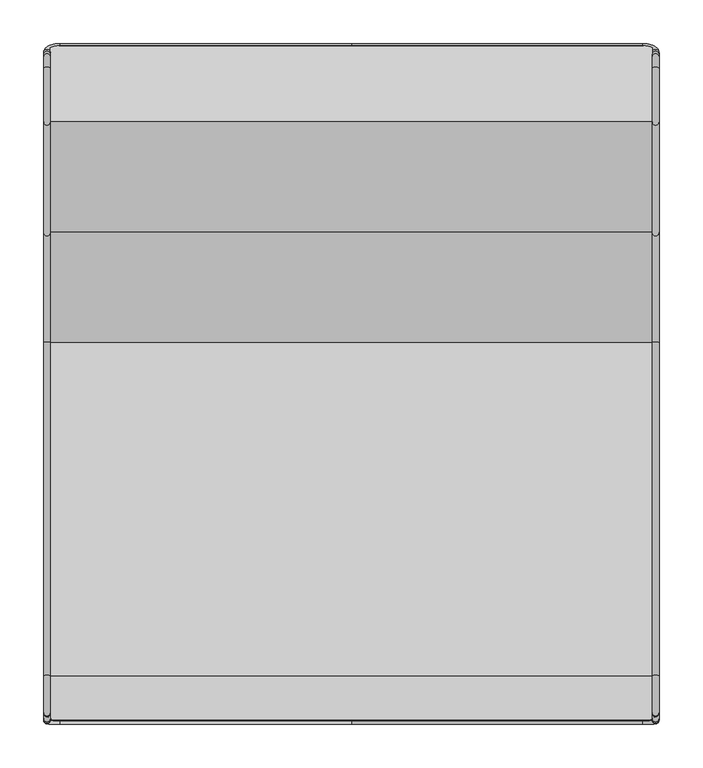
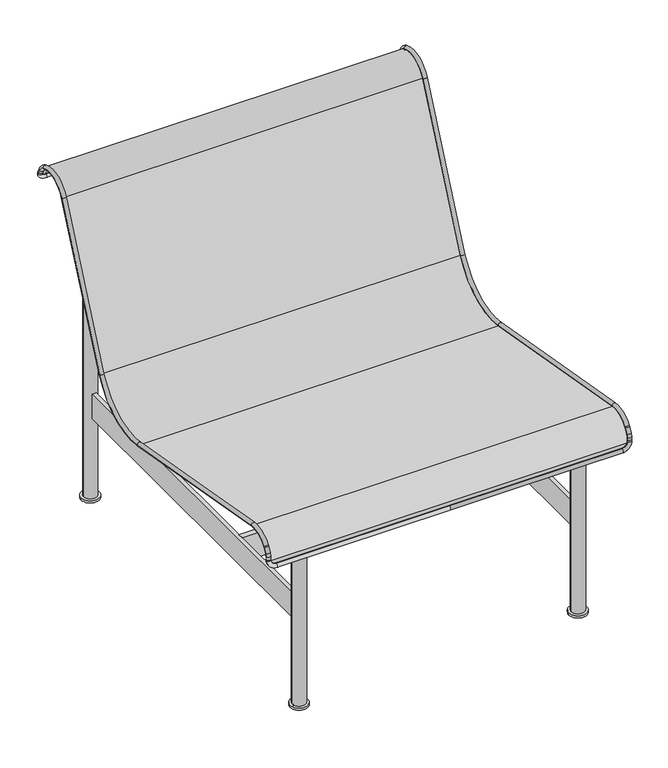
"""IFC4 building model written with IfcOpenShell, lengths in millimetres: furniture geometry."""

from ifc_helpers import new_model, si_unit, point, frame, frame_2d, origin, origin_with_axes, place, context, project, spatial, polyline, circle_curve, ellipse_curve, trimmed, segment, composite_curve, outline, extrude, source, transform, mapped, element, save
from ifc_brep_helpers import cylinder_surface, revolved_surface, advanced_brep


def furniture_9ffa8a8e(model_context):
    return source(origin(), model_context, "Body", "SolidModel", [
        extrude(outline(composite_curve([segment(trimmed(circle_curve(frame_2d((270.025, 345.3323767)), 10.0), [point((280.025, 345.3323767))], [point((260.025, 345.3323767))], False, "CARTESIAN"), True, "CONTINUOUS"), segment(trimmed(circle_curve(frame_2d((270.025, 345.3323767)), 10.0), [point((260.025, 345.3323767))], [point((280.025, 345.3323767))], False, "CARTESIAN"), True, "CONTINUOUS")], self_intersect=False)), origin_with_axes(), (0.0, 0.0, 1.0), 5.0095249),
        extrude(outline(composite_curve([segment(trimmed(circle_curve(frame_2d((270.025, 345.3323767)), 17.5), [point((287.525, 345.3323767))], [point((252.525, 345.3323767))], False, "CARTESIAN"), True, "CONTINUOUS"), segment(trimmed(circle_curve(frame_2d((270.025, 345.3323767)), 17.5), [point((252.525, 345.3323767))], [point((287.525, 345.3323767))], False, "CARTESIAN"), True, "CONTINUOUS")], self_intersect=False)), frame((0.0, 0.0, 5.0095249), z_axis=(0.0, 0.0, 1.0), x_axis=(1.0, 0.0, 0.0)), (0.0, 0.0, 1.0), 4.9904751),
        extrude(outline(composite_curve([segment(trimmed(circle_curve(frame_2d((270.025, 345.3323767)), 13.0), [point((283.025, 345.3323767))], [point((257.025, 345.3323767))], False, "CARTESIAN"), True, "CONTINUOUS"), segment(trimmed(circle_curve(frame_2d((270.025, 345.3323767)), 13.0), [point((257.025, 345.3323767))], [point((283.025, 345.3323767))], False, "CARTESIAN"), True, "CONTINUOUS")], self_intersect=False)), frame((0.0, 0.0, 10.0), z_axis=(0.0, 0.0, 1.0), x_axis=(1.0, 0.0, 0.0)), (0.0, 0.0, 1.0), 672.2046016),
        extrude(outline(composite_curve([segment(trimmed(circle_curve(frame_2d((270.025, -354.6676233)), 10.0), [point((280.025, -354.6676233))], [point((260.025, -354.6676233))], False, "CARTESIAN"), True, "CONTINUOUS"), segment(trimmed(circle_curve(frame_2d((270.025, -354.6676233)), 10.0), [point((260.025, -354.6676233))], [point((280.025, -354.6676233))], False, "CARTESIAN"), True, "CONTINUOUS")], self_intersect=False)), origin_with_axes(), (0.0, 0.0, 1.0), 5.0095249),
        extrude(outline(composite_curve([segment(trimmed(circle_curve(frame_2d((270.025, -354.6676233)), 17.5), [point((287.525, -354.6676233))], [point((252.525, -354.6676233))], False, "CARTESIAN"), True, "CONTINUOUS"), segment(trimmed(circle_curve(frame_2d((270.025, -354.6676233)), 17.5), [point((252.525, -354.6676233))], [point((287.525, -354.6676233))], False, "CARTESIAN"), True, "CONTINUOUS")], self_intersect=False)), frame((0.0, 0.0, 5.0095249), z_axis=(0.0, 0.0, 1.0), x_axis=(1.0, 0.0, 0.0)), (0.0, 0.0, 1.0), 4.9904751),
        extrude(outline(composite_curve([segment(trimmed(circle_curve(frame_2d((270.025, -354.6676233)), 13.0), [point((283.025, -354.6676233))], [point((257.025, -354.6676233))], False, "CARTESIAN"), True, "CONTINUOUS"), segment(trimmed(circle_curve(frame_2d((270.025, -354.6676233)), 13.0), [point((257.025, -354.6676233))], [point((283.025, -354.6676233))], False, "CARTESIAN"), True, "CONTINUOUS")], self_intersect=False)), frame((0.0, 0.0, 10.0), z_axis=(0.0, 0.0, 1.0), x_axis=(1.0, 0.0, 0.0)), (0.0, 0.0, 1.0), 357.3979993),
        extrude(outline(composite_curve([segment(trimmed(circle_curve(frame_2d((-270.025, 345.3323767)), 10.0), [point((-280.025, 345.3323767))], [point((-260.025, 345.3323767))], False, "CARTESIAN"), True, "CONTINUOUS"), segment(trimmed(circle_curve(frame_2d((-270.025, 345.3323767)), 10.0), [point((-260.025, 345.3323767))], [point((-280.025, 345.3323767))], False, "CARTESIAN"), True, "CONTINUOUS")], self_intersect=False)), origin_with_axes(), (0.0, 0.0, 1.0), 5.0095249),
        extrude(outline(composite_curve([segment(trimmed(circle_curve(frame_2d((-270.025, 345.3323767)), 17.5), [point((-287.525, 345.3323767))], [point((-252.525, 345.3323767))], False, "CARTESIAN"), True, "CONTINUOUS"), segment(trimmed(circle_curve(frame_2d((-270.025, 345.3323767)), 17.5), [point((-252.525, 345.3323767))], [point((-287.525, 345.3323767))], False, "CARTESIAN"), True, "CONTINUOUS")], self_intersect=False)), frame((0.0, 0.0, 5.0095249), z_axis=(0.0, 0.0, 1.0), x_axis=(1.0, 0.0, 0.0)), (0.0, 0.0, 1.0), 4.9904751),
        extrude(outline(composite_curve([segment(trimmed(circle_curve(frame_2d((-270.025, 345.3323767)), 13.0), [point((-283.025, 345.3323767))], [point((-257.025, 345.3323767))], False, "CARTESIAN"), True, "CONTINUOUS"), segment(trimmed(circle_curve(frame_2d((-270.025, 345.3323767)), 13.0), [point((-257.025, 345.3323767))], [point((-283.025, 345.3323767))], False, "CARTESIAN"), True, "CONTINUOUS")], self_intersect=False)), frame((0.0, 0.0, 10.0), z_axis=(0.0, 0.0, 1.0), x_axis=(1.0, 0.0, 0.0)), (0.0, 0.0, 1.0), 672.2046016),
        extrude(outline(composite_curve([segment(trimmed(circle_curve(frame_2d((-270.025, -354.6676233)), 10.0), [point((-280.025, -354.6676233))], [point((-260.025, -354.6676233))], False, "CARTESIAN"), True, "CONTINUOUS"), segment(trimmed(circle_curve(frame_2d((-270.025, -354.6676233)), 10.0), [point((-260.025, -354.6676233))], [point((-280.025, -354.6676233))], False, "CARTESIAN"), True, "CONTINUOUS")], self_intersect=False)), origin_with_axes(), (0.0, 0.0, 1.0), 5.0095249),
        extrude(outline(composite_curve([segment(trimmed(circle_curve(frame_2d((-270.025, -354.6676233)), 17.5), [point((-287.525, -354.6676233))], [point((-252.525, -354.6676233))], False, "CARTESIAN"), True, "CONTINUOUS"), segment(trimmed(circle_curve(frame_2d((-270.025, -354.6676233)), 17.5), [point((-252.525, -354.6676233))], [point((-287.525, -354.6676233))], False, "CARTESIAN"), True, "CONTINUOUS")], self_intersect=False)), frame((0.0, 0.0, 5.0095249), z_axis=(0.0, 0.0, 1.0), x_axis=(1.0, 0.0, 0.0)), (0.0, 0.0, 1.0), 4.9904751),
        extrude(outline(composite_curve([segment(trimmed(circle_curve(frame_2d((-270.025, -354.6676233)), 13.0), [point((-283.025, -354.6676233))], [point((-257.025, -354.6676233))], False, "CARTESIAN"), True, "CONTINUOUS"), segment(trimmed(circle_curve(frame_2d((-270.025, -354.6676233)), 13.0), [point((-257.025, -354.6676233))], [point((-283.025, -354.6676233))], False, "CARTESIAN"), True, "CONTINUOUS")], self_intersect=False)), frame((0.0, 0.0, 10.0), z_axis=(0.0, 0.0, 1.0), x_axis=(1.0, 0.0, 0.0)), (0.0, 0.0, 1.0), 357.3979993),
        extrude(outline(composite_curve([segment(trimmed(circle_curve(frame_2d((-354.6676233, 367.15)), 16.85), [point((-337.8176233, 367.15))], [point((-371.5176233, 367.15))], False, "CARTESIAN"), True, "CONTINUOUS"), segment(trimmed(circle_curve(frame_2d((-354.6676233, 367.15)), 16.85), [point((-371.5176233, 367.15))], [point((-337.8176233, 367.15))], False, "CARTESIAN"), True, "CONTINUOUS")], self_intersect=False)), frame((-314.9750977, 0.0, 0.0), z_axis=(1.0, 0.0, 0.0), x_axis=(0.0, 1.0, 0.0)), (0.0, 0.0, 1.0), 629.4750977),
        extrude(outline(composite_curve([segment(trimmed(circle_curve(frame_2d((345.3323767, 682.15)), 16.85), [point((362.1823767, 682.15))], [point((328.4823767, 682.15))], False, "CARTESIAN"), True, "CONTINUOUS"), segment(trimmed(circle_curve(frame_2d((345.3323767, 682.15)), 16.85), [point((328.4823767, 682.15))], [point((362.1823767, 682.15))], False, "CARTESIAN"), True, "CONTINUOUS")], self_intersect=False)), frame((-314.5, 0.0, 0.0), z_axis=(1.0, 0.0, 0.0), x_axis=(0.0, 1.0, 0.0)), (0.0, 0.0, 1.0), 629.0),
        extrude(outline(polyline([(266.0500977, -343.4225488), (266.0500977, 334.0873022), (273.9000977, 334.0873022), (273.9000977, -343.4225488), (266.0500977, -343.4225488)])), frame((0.0, 0.0, 175.0), z_axis=(0.0, 0.0, 1.0), x_axis=(1.0, 0.0, 0.0)), (0.0, 0.0, 1.0), 50.0),
        extrude(outline(polyline([(266.0500977, -146.5626978), (266.0500977, -156.9225488), (-266.0500977, -156.9225488), (-266.0500977, -146.5626978), (266.0500977, -146.5626978)])), frame((0.0, 0.0, 175.0), z_axis=(0.0, 0.0, 1.0), x_axis=(1.0, 0.0, 0.0)), (0.0, 0.0, 1.0), 50.0),
        extrude(outline(polyline([(266.0500977, 224.5123022), (266.0500977, 214.1524512), (-266.0500977, 214.1524512), (-266.0500977, 224.5123022), (266.0500977, 224.5123022)])), frame((0.0, 0.0, 175.0), z_axis=(0.0, 0.0, 1.0), x_axis=(1.0, 0.0, 0.0)), (0.0, 0.0, 1.0), 50.0),
        extrude(outline(polyline([(-266.0500977, 334.0873022), (-266.0500977, -343.4225488), (-273.9000977, -343.4225488), (-273.9000977, 334.0873022), (-266.0500977, 334.0873022)])), frame((0.0, 0.0, 175.0), z_axis=(0.0, 0.0, 1.0), x_axis=(1.0, 0.0, 0.0)), (0.0, 0.0, 1.0), 50.0),
        advanced_brep(
        [(-353.440108, 373.7937013, 682.4780585), (-353.440108, 371.646043, 686.9933175), (-345.440108, 371.646043, 686.9933175), (-345.440108, 373.7937013, 682.4780585), (-345.440108, 296.4612266, 676.0749425), (-345.440108, 357.7572354, 700.2806419), (-353.440108, 357.7572354, 700.2806419), (-353.440108, 296.4612266, 676.0749425), (-353.440108, 169.6234197, 391.1925638), (-345.440108, 169.6234197, 391.1925638), (-353.440108, 43.6034187, 324.1865407), (-345.440108, 43.6034187, 324.1865407), (-353.440108, -338.739978, 391.6039975), (-345.440108, -338.739978, 391.6039975), (-353.440108, -381.5432629, 374.8006881), (-345.440108, -381.5432629, 374.8006881), (-345.440108, -382.9815742, 372.5487627), (-353.440108, -382.9815742, 372.5487627), (-353.440108, -388.067645, 362.9832548), (-345.440108, -388.067645, 362.9832548), (0.0, 384.102461, 660.8048152), (-334.440108, 384.102461, 660.8048152), (-334.440108, 380.6662078, 668.0292297), (0.0, 380.6662078, 668.0292297), (-345.440108, 375.9413596, 677.9627995), (-353.440108, 375.9413596, 677.9627995), (-345.440108, -389.6972432, 357.1071135), (-353.440108, -389.6972432, 357.1071135), (-353.440108, -389.9613935, 352.0668255), (-345.440108, -389.9613935, 352.0668255), (0.0, -391.0683935, 330.9440069), (-334.440108, -391.0683935, 330.9440069), (-334.440108, -390.6497059, 338.9330432), (0.0, -390.6497059, 338.9330432), (-345.440108, -390.0740104, 349.9179681), (-353.440108, -390.0740104, 349.9179681), (334.440108, -390.6497059, 338.9330432), (334.440108, -391.0683935, 330.9440069), (353.440108, -390.0740104, 349.9179681), (345.440108, -390.0740104, 349.9179681), (345.440108, -389.9613935, 352.0668255), (353.440108, -389.9613935, 352.0668255), (345.440108, 373.7937013, 682.4780585), (345.440108, 371.646043, 686.9933175), (353.440108, 371.646043, 686.9933175), (353.440108, 373.7937013, 682.4780585), (353.440108, 296.4612266, 676.0749425), (353.440108, 357.7572354, 700.2806419), (345.440108, 357.7572354, 700.2806419), (345.440108, 296.4612266, 676.0749425), (345.440108, 169.6234197, 391.1925638), (353.440108, 169.6234197, 391.1925638), (345.440108, 43.6034187, 324.1865407), (353.440108, 43.6034187, 324.1865407), (345.440108, -338.739978, 391.6039975), (353.440108, -338.739978, 391.6039975), (345.440108, -381.5432629, 374.8006881), (353.440108, -381.5432629, 374.8006881), (353.440108, -382.9815742, 372.5487627), (345.440108, -382.9815742, 372.5487627), (345.440108, -388.067645, 362.9832548), (353.440108, -388.067645, 362.9832548), (353.440108, -389.6972432, 357.1071135), (345.440108, -389.6972432, 357.1071135), (334.440108, 380.6662078, 668.0292297), (334.440108, 384.102461, 660.8048152), (353.440108, 375.9413596, 677.9627995), (345.440108, 375.9413596, 677.9627995)],
        [
            (0, 1),
            (1, 2, circle_curve(frame((-349.440108, 371.646043, 686.9933175), z_axis=(0.0, 0.4295316530768693, -0.9030518030573064), x_axis=(1.0, 0.0, 0.0)), 4.0)),
            (2, 3),
            (3, 0, circle_curve(frame((-349.440108, 373.7937013, 682.4780585), z_axis=(0.0, -0.4295316530768693, 0.9030518030573064), x_axis=(1.0, 0.0, 0.0)), 4.0)),
            (0, 3, circle_curve(frame((-349.440108, 373.7937013, 682.4780585), z_axis=(0.0, -0.4295316530768693, 0.9030518030573064), x_axis=(1.0, 0.0, 0.0)), 4.0)),
            (2, 1, circle_curve(frame((-349.440108, 371.646043, 686.9933175), z_axis=(0.0, 0.4295316530768693, -0.9030518030573064), x_axis=(1.0, 0.0, 0.0)), 4.0)),
            (4, 5, circle_curve(frame((-345.440108, 339.4462618, 656.9367718), z_axis=(-1.0, 0.0, 0.0), x_axis=(0.0, 0.38915652171683707, 0.9211716461144758)), 47.0529789)),
            (5, 6, circle_curve(frame((-349.440108, 357.7572354, 700.2806419), z_axis=(0.0, -0.9211716461144758, 0.38915652171683707), x_axis=(1.0, 0.0, 0.0)), 4.0)),
            (6, 7, circle_curve(frame((-353.440108, 339.4462618, 656.9367718), z_axis=(1.0, 0.0, 0.0), x_axis=(0.0, 0.38915652171683707, 0.9211716461144758)), 47.0529789)),
            (7, 4, circle_curve(frame((-349.440108, 296.4612266, 676.0749425), z_axis=(0.0, 0.406736643075932, 0.9135454576425424), x_axis=(1.0, 0.0, 0.0)), 4.0)),
            (4, 7, circle_curve(frame((-349.440108, 296.4612266, 676.0749425), z_axis=(0.0, 0.406736643075932, 0.9135454576425424), x_axis=(1.0, 0.0, 0.0)), 4.0)),
            (6, 5, circle_curve(frame((-349.440108, 357.7572354, 700.2806419), z_axis=(0.0, -0.9211716461144758, 0.38915652171683707), x_axis=(1.0, 0.0, 0.0)), 4.0)),
            (7, 8),
            (8, 9, circle_curve(frame((-349.440108, 169.6234197, 391.1925638), z_axis=(0.0, 0.4067366430759277, 0.9135454576425441), x_axis=(1.0, 0.0, 0.0)), 4.0)),
            (9, 4),
            (9, 8, circle_curve(frame((-349.440108, 169.6234197, 391.1925638), z_axis=(0.0, 0.4067366430759277, 0.9135454576425441), x_axis=(1.0, 0.0, 0.0)), 4.0)),
            (8, 10, circle_curve(frame((-353.440108, 63.7315199, 438.3386751), z_axis=(-1.0, 0.0, 0.0), x_axis=(0.0, 0.9135454576425466, -0.40673664307592233)), 115.9131151)),
            (10, 11, circle_curve(frame((-349.440108, 43.6034187, 324.1865407), z_axis=(0.0, 0.9848077530121874, -0.17364817766704793), x_axis=(1.0, 0.0, 0.0)), 4.0)),
            (11, 9, circle_curve(frame((-345.440108, 63.7315199, 438.3386751), z_axis=(1.0, 0.0, 0.0), x_axis=(0.0, 0.9135454576425466, -0.40673664307592233)), 115.9131151)),
            (11, 10, circle_curve(frame((-349.440108, 43.6034187, 324.1865407), z_axis=(0.0, 0.9848077530121874, -0.17364817766704793), x_axis=(1.0, 0.0, 0.0)), 4.0)),
            (10, 12),
            (12, 13, circle_curve(frame((-349.440108, -338.739978, 391.6039975), z_axis=(0.0, 0.9848077530121863, -0.17364817766705426), x_axis=(1.0, 0.0, 0.0)), 4.0)),
            (13, 11),
            (13, 12, circle_curve(frame((-349.440108, -338.739978, 391.6039975), z_axis=(0.0, 0.9848077530121863, -0.17364817766705426), x_axis=(1.0, 0.0, 0.0)), 4.0)),
            (12, 14, circle_curve(frame((-353.440108, -346.3955852, 348.1868914), z_axis=(1.0, 0.0, 0.0), x_axis=(0.0, 0.17364817766705343, 0.9848077530121864)), 44.0868849)),
            (14, 15, circle_curve(frame((-349.440108, -381.5432629, 374.8006881), z_axis=(0.0, 0.6036669805096835, 0.7972365876214673), x_axis=(1.0, 0.0, 0.0)), 4.0)),
            (15, 13, circle_curve(frame((-345.440108, -346.3955852, 348.1868914), z_axis=(-1.0, 0.0, 0.0), x_axis=(0.0, 0.17364817766705343, 0.9848077530121864)), 44.0868849)),
            (15, 14, circle_curve(frame((-349.440108, -381.5432629, 374.8006881), z_axis=(0.0, 0.6036669805096835, 0.7972365876214673), x_axis=(1.0, 0.0, 0.0)), 4.0)),
            (16, 17, circle_curve(frame((-349.440108, -382.9815742, 372.5487627), z_axis=(0.0, -0.46947156278589175, -0.8829475928589264), x_axis=(1.0, 0.0, 0.0)), 4.0)),
            (17, 18),
            (18, 19, circle_curve(frame((-349.440108, -388.067645, 362.9832548), z_axis=(0.0, 0.46947156278589175, 0.8829475928589264), x_axis=(1.0, 0.0, 0.0)), 4.0)),
            (19, 16),
            (17, 16, circle_curve(frame((-349.440108, -382.9815742, 372.5487627), z_axis=(0.0, -0.46947156278589175, -0.8829475928589264), x_axis=(1.0, 0.0, 0.0)), 4.0)),
            (19, 18, circle_curve(frame((-349.440108, -388.067645, 362.9832548), z_axis=(0.0, 0.46947156278589175, 0.8829475928589264), x_axis=(1.0, 0.0, 0.0)), 4.0)),
            (1, 6, circle_curve(frame((-353.440108, 347.239684, 675.3845663), z_axis=(1.0, 0.0, 0.0), x_axis=(0.0, 0.9030518030573125, 0.4295316530768563)), 27.0265327)),
            (5, 2, circle_curve(frame((-345.440108, 347.239684, 675.3845663), z_axis=(-1.0, 0.0, 0.0), x_axis=(0.0, 0.9030518030573125, 0.4295316530768563)), 27.0265327)),
            (20, 21),
            (21, 22, circle_curve(frame((-334.440108, 382.3843344, 664.4170225), z_axis=(1.0, 0.0, 0.0), x_axis=(0.0, -0.4295316530768436, 0.9030518030573186)), 4.0)),
            (22, 23),
            (23, 20, circle_curve(frame((0.0, 382.3843344, 664.4170225), z_axis=(-1.0, 0.0, 0.0), x_axis=(0.0, -0.4295316530768436, 0.9030518030573186)), 4.0)),
            (20, 23, circle_curve(frame((0.0, 382.3843344, 664.4170225), z_axis=(-1.0, 0.0, 0.0), x_axis=(0.0, -0.4295316530768436, 0.9030518030573186)), 4.0)),
            (22, 21, circle_curve(frame((-334.440108, 382.3843344, 664.4170225), z_axis=(1.0, 0.0, 0.0), x_axis=(0.0, -0.4295316530768436, 0.9030518030573186)), 4.0)),
            (24, 25, circle_curve(frame((-349.440108, 375.9413596, 677.9627995), z_axis=(0.0, -0.4295316530768436, 0.9030518030573186), x_axis=(1.0, 0.0, 0.0)), 4.0)),
            (25, 0),
            (3, 24),
            (25, 24, circle_curve(frame((-349.440108, 375.9413596, 677.9627995), z_axis=(0.0, -0.4295316530768436, 0.9030518030573186), x_axis=(1.0, 0.0, 0.0)), 4.0)),
            (21, 25, circle_curve(frame((-334.440108, 375.9413596, 677.9627995), z_axis=(0.0, 0.9030518030573186, 0.4295316530768436), x_axis=(0.0, 0.4295316530768436, -0.9030518030573186)), 19.0)),
            (24, 22, circle_curve(frame((-334.440108, 375.9413596, 677.9627995), z_axis=(0.0, -0.9030518030573186, -0.4295316530768436), x_axis=(0.0, 0.4295316530768436, -0.9030518030573186)), 11.0)),
            (14, 17, circle_curve(frame((-353.440108, -368.164883, 364.6705883), z_axis=(1.0, 0.0, 0.0), x_axis=(0.0, -0.7972365876214653, 0.6036669805096861)), 16.7809407)),
            (16, 15, circle_curve(frame((-345.440108, -368.164883, 364.6705883), z_axis=(-1.0, 0.0, 0.0), x_axis=(0.0, -0.7972365876214653, 0.6036669805096861)), 16.7809407)),
            (26, 27, circle_curve(frame((-349.440108, -389.6972432, 357.1071135), z_axis=(0.0, -0.05233595624294962, -0.9986295347545736), x_axis=(1.0, 0.0, 0.0)), 4.0)),
            (27, 28),
            (28, 29, circle_curve(frame((-349.440108, -389.9613935, 352.0668255), z_axis=(0.0, 0.05233595624294962, 0.9986295347545736), x_axis=(1.0, 0.0, 0.0)), 4.0)),
            (29, 26),
            (27, 26, circle_curve(frame((-349.440108, -389.6972432, 357.1071135), z_axis=(0.0, -0.05233595624294962, -0.9986295347545736), x_axis=(1.0, 0.0, 0.0)), 4.0)),
            (29, 28, circle_curve(frame((-349.440108, -389.9613935, 352.0668255), z_axis=(0.0, 0.05233595624294962, 0.9986295347545736), x_axis=(1.0, 0.0, 0.0)), 4.0)),
            (18, 27, circle_curve(frame((-353.440108, -375.6296639, 356.3698629), z_axis=(1.0, 0.0, 0.0), x_axis=(0.0, -0.8829475928589232, 0.46947156278589786)), 14.0868849)),
            (26, 19, circle_curve(frame((-345.440108, -375.6296639, 356.3698629), z_axis=(-1.0, 0.0, 0.0), x_axis=(0.0, -0.8829475928589232, 0.46947156278589786)), 14.0868849)),
            (30, 31),
            (31, 32, circle_curve(frame((-334.440108, -390.8590497, 334.938525), z_axis=(1.0, 0.0, 0.0), x_axis=(0.0, 0.052335956242932254, 0.9986295347545745)), 4.0)),
            (32, 33),
            (33, 30, circle_curve(frame((0.0, -390.8590497, 334.938525), z_axis=(-1.0, 0.0, 0.0), x_axis=(0.0, 0.052335956242932254, 0.9986295347545745)), 4.0)),
            (30, 33, circle_curve(frame((0.0, -390.8590497, 334.938525), z_axis=(-1.0, 0.0, 0.0), x_axis=(0.0, 0.052335956242932254, 0.9986295347545745)), 4.0)),
            (32, 31, circle_curve(frame((-334.440108, -390.8590497, 334.938525), z_axis=(1.0, 0.0, 0.0), x_axis=(0.0, 0.052335956242932254, 0.9986295347545745)), 4.0)),
            (34, 35, circle_curve(frame((-349.440108, -390.0740104, 349.9179681), z_axis=(0.0, 0.052335956242932254, 0.9986295347545745), x_axis=(1.0, 0.0, 0.0)), 4.0)),
            (35, 28),
            (29, 34),
            (35, 34, circle_curve(frame((-349.440108, -390.0740104, 349.9179681), z_axis=(0.0, 0.052335956242932254, 0.9986295347545745), x_axis=(1.0, 0.0, 0.0)), 4.0)),
            (31, 35, circle_curve(frame((-334.440108, -390.0740104, 349.9179681), z_axis=(0.0, 0.9986295347545745, -0.052335956242932254), x_axis=(0.0, -0.052335956242932254, -0.9986295347545745)), 19.0)),
            (34, 32, circle_curve(frame((-334.440108, -390.0740104, 349.9179681), z_axis=(0.0, -0.9986295347545745, 0.052335956242932254), x_axis=(0.0, -0.052335956242932254, -0.9986295347545745)), 11.0)),
            (33, 36),
            (36, 37, circle_curve(frame((334.440108, -390.8590497, 334.938525), z_axis=(-1.0, 0.0, 0.0), x_axis=(0.0, 0.052335956242932254, 0.9986295347545745)), 4.0)),
            (37, 30),
            (37, 36, circle_curve(frame((334.440108, -390.8590497, 334.938525), z_axis=(-1.0, 0.0, 0.0), x_axis=(0.0, 0.052335956242932254, 0.9986295347545745)), 4.0)),
            (38, 39, circle_curve(frame((349.440108, -390.0740104, 349.9179681), z_axis=(0.0, 0.052335956242932254, 0.9986295347545745), x_axis=(-1.0, 0.0, 0.0)), 4.0)),
            (39, 40),
            (40, 41, circle_curve(frame((349.440108, -389.9613935, 352.0668255), z_axis=(0.0, -0.052335956242932254, -0.9986295347545745), x_axis=(-1.0, 0.0, 0.0)), 4.0)),
            (41, 38),
            (39, 38, circle_curve(frame((349.440108, -390.0740104, 349.9179681), z_axis=(0.0, 0.052335956242932254, 0.9986295347545745), x_axis=(-1.0, 0.0, 0.0)), 4.0)),
            (41, 40, circle_curve(frame((349.440108, -389.9613935, 352.0668255), z_axis=(0.0, -0.052335956242932254, -0.9986295347545745), x_axis=(-1.0, 0.0, 0.0)), 4.0)),
            (36, 39, circle_curve(frame((334.440108, -390.0740104, 349.9179681), z_axis=(0.0, -0.9986295347545745, 0.052335956242932254), x_axis=(0.0, -0.052335956242932254, -0.9986295347545745)), 11.0)),
            (38, 37, circle_curve(frame((334.440108, -390.0740104, 349.9179681), z_axis=(0.0, 0.9986295347545745, -0.052335956242932254), x_axis=(0.0, -0.052335956242932254, -0.9986295347545745)), 19.0)),
            (42, 43),
            (43, 44, circle_curve(frame((349.440108, 371.646043, 686.9933175), z_axis=(0.0, 0.4295316530768692, -0.9030518030573064), x_axis=(-1.0, 0.0, 0.0)), 4.0)),
            (44, 45),
            (45, 42, circle_curve(frame((349.440108, 373.7937013, 682.4780585), z_axis=(0.0, -0.4295316530768692, 0.9030518030573064), x_axis=(-1.0, 0.0, 0.0)), 4.0)),
            (42, 45, circle_curve(frame((349.440108, 373.7937013, 682.4780585), z_axis=(0.0, -0.4295316530768692, 0.9030518030573064), x_axis=(-1.0, 0.0, 0.0)), 4.0)),
            (44, 43, circle_curve(frame((349.440108, 371.646043, 686.9933175), z_axis=(0.0, 0.4295316530768692, -0.9030518030573064), x_axis=(-1.0, 0.0, 0.0)), 4.0)),
            (46, 47, circle_curve(frame((353.440108, 339.4462618, 656.9367718), z_axis=(-1.0, 0.0, 0.0), x_axis=(0.0, 0.38915652171683707, 0.9211716461144758)), 47.0529789)),
            (47, 48, circle_curve(frame((349.440108, 357.7572354, 700.2806419), z_axis=(0.0, -0.9211716461144757, 0.3891565217168374), x_axis=(-1.0, 0.0, 0.0)), 4.0)),
            (48, 49, circle_curve(frame((345.440108, 339.4462618, 656.9367718), z_axis=(1.0, 0.0, 0.0), x_axis=(0.0, 0.38915652171683707, 0.9211716461144758)), 47.0529789)),
            (49, 46, circle_curve(frame((349.440108, 296.4612266, 676.0749425), z_axis=(0.0, 0.40673664307593455, 0.9135454576425411), x_axis=(-1.0, 0.0, 0.0)), 4.0)),
            (46, 49, circle_curve(frame((349.440108, 296.4612266, 676.0749425), z_axis=(0.0, 0.40673664307593455, 0.9135454576425411), x_axis=(-1.0, 0.0, 0.0)), 4.0)),
            (48, 47, circle_curve(frame((349.440108, 357.7572354, 700.2806419), z_axis=(0.0, -0.9211716461144757, 0.3891565217168374), x_axis=(-1.0, 0.0, 0.0)), 4.0)),
            (49, 50),
            (50, 51, circle_curve(frame((349.440108, 169.6234197, 391.1925638), z_axis=(0.0, 0.40673664307592794, 0.913545457642544), x_axis=(-1.0, 0.0, 0.0)), 4.0)),
            (51, 46),
            (51, 50, circle_curve(frame((349.440108, 169.6234197, 391.1925638), z_axis=(0.0, 0.40673664307592794, 0.913545457642544), x_axis=(-1.0, 0.0, 0.0)), 4.0)),
            (50, 52, circle_curve(frame((345.440108, 63.7315199, 438.3386751), z_axis=(-1.0, 0.0, 0.0), x_axis=(0.0, 0.9135454576425461, -0.40673664307592317)), 115.9131151)),
            (52, 53, circle_curve(frame((349.440108, 43.6034187, 324.1865407), z_axis=(0.0, 0.9848077530121875, -0.17364817766704635), x_axis=(-1.0, 0.0, 0.0)), 4.0)),
            (53, 51, circle_curve(frame((353.440108, 63.7315199, 438.3386751), z_axis=(1.0, 0.0, 0.0), x_axis=(0.0, 0.9135454576425461, -0.40673664307592317)), 115.9131151)),
            (53, 52, circle_curve(frame((349.440108, 43.6034187, 324.1865407), z_axis=(0.0, 0.9848077530121875, -0.17364817766704635), x_axis=(-1.0, 0.0, 0.0)), 4.0)),
            (52, 54),
            (54, 55, circle_curve(frame((349.440108, -338.739978, 391.6039975), z_axis=(0.0, 0.9848077530121863, -0.17364817766705457), x_axis=(-1.0, 0.0, 0.0)), 4.0)),
            (55, 53),
            (55, 54, circle_curve(frame((349.440108, -338.739978, 391.6039975), z_axis=(0.0, 0.9848077530121863, -0.17364817766705457), x_axis=(-1.0, 0.0, 0.0)), 4.0)),
            (54, 56, circle_curve(frame((345.440108, -346.3955852, 348.1868914), z_axis=(1.0, 0.0, 0.0), x_axis=(0.0, 0.17364817766705343, 0.9848077530121864)), 44.0868849)),
            (56, 57, circle_curve(frame((349.440108, -381.5432629, 374.8006881), z_axis=(0.0, 0.603666980509683, 0.7972365876214675), x_axis=(-1.0, 0.0, 0.0)), 4.0)),
            (57, 55, circle_curve(frame((353.440108, -346.3955852, 348.1868914), z_axis=(-1.0, 0.0, 0.0), x_axis=(0.0, 0.17364817766705343, 0.9848077530121864)), 44.0868849)),
            (57, 56, circle_curve(frame((349.440108, -381.5432629, 374.8006881), z_axis=(0.0, 0.603666980509683, 0.7972365876214675), x_axis=(-1.0, 0.0, 0.0)), 4.0)),
            (58, 59, circle_curve(frame((349.440108, -382.9815742, 372.5487627), z_axis=(0.0, -0.46947156278589214, -0.8829475928589262), x_axis=(-1.0, 0.0, 0.0)), 4.0)),
            (59, 60),
            (60, 61, circle_curve(frame((349.440108, -388.067645, 362.9832548), z_axis=(0.0, 0.46947156278589214, 0.8829475928589262), x_axis=(-1.0, 0.0, 0.0)), 4.0)),
            (61, 58),
            (59, 58, circle_curve(frame((349.440108, -382.9815742, 372.5487627), z_axis=(0.0, -0.46947156278589214, -0.8829475928589262), x_axis=(-1.0, 0.0, 0.0)), 4.0)),
            (61, 60, circle_curve(frame((349.440108, -388.067645, 362.9832548), z_axis=(0.0, 0.46947156278589214, 0.8829475928589262), x_axis=(-1.0, 0.0, 0.0)), 4.0)),
            (43, 48, circle_curve(frame((345.440108, 347.239684, 675.3845663), z_axis=(1.0, 0.0, 0.0), x_axis=(0.0, 0.9030518030573125, 0.4295316530768563)), 27.0265327)),
            (47, 44, circle_curve(frame((353.440108, 347.239684, 675.3845663), z_axis=(-1.0, 0.0, 0.0), x_axis=(0.0, 0.9030518030573125, 0.4295316530768563)), 27.0265327)),
            (56, 59, circle_curve(frame((345.440108, -368.164883, 364.6705883), z_axis=(1.0, 0.0, 0.0), x_axis=(0.0, -0.7972365876214653, 0.6036669805096861)), 16.7809407)),
            (58, 57, circle_curve(frame((353.440108, -368.164883, 364.6705883), z_axis=(-1.0, 0.0, 0.0), x_axis=(0.0, -0.7972365876214653, 0.6036669805096861)), 16.7809407)),
            (62, 63, circle_curve(frame((349.440108, -389.6972432, 357.1071135), z_axis=(0.0, -0.052335956242950066, -0.9986295347545737), x_axis=(-1.0, 0.0, 0.0)), 4.0)),
            (63, 40),
            (41, 62),
            (63, 62, circle_curve(frame((349.440108, -389.6972432, 357.1071135), z_axis=(0.0, -0.052335956242950066, -0.9986295347545737), x_axis=(-1.0, 0.0, 0.0)), 4.0)),
            (60, 63, circle_curve(frame((345.440108, -375.6296639, 356.3698629), z_axis=(1.0, 0.0, 0.0), x_axis=(0.0, -0.8829475928589232, 0.46947156278589786)), 14.0868849)),
            (62, 61, circle_curve(frame((353.440108, -375.6296639, 356.3698629), z_axis=(-1.0, 0.0, 0.0), x_axis=(0.0, -0.8829475928589232, 0.46947156278589786)), 14.0868849)),
            (23, 64),
            (64, 65, circle_curve(frame((334.440108, 382.3843344, 664.4170225), z_axis=(-1.0, 0.0, 0.0), x_axis=(0.0, -0.4295316530768436, 0.9030518030573186)), 4.0)),
            (65, 20),
            (65, 64, circle_curve(frame((334.440108, 382.3843344, 664.4170225), z_axis=(-1.0, 0.0, 0.0), x_axis=(0.0, -0.4295316530768436, 0.9030518030573186)), 4.0)),
            (66, 67, circle_curve(frame((349.440108, 375.9413596, 677.9627995), z_axis=(0.0, -0.4295316530768436, 0.9030518030573186), x_axis=(-1.0, 0.0, 0.0)), 4.0)),
            (67, 42),
            (45, 66),
            (67, 66, circle_curve(frame((349.440108, 375.9413596, 677.9627995), z_axis=(0.0, -0.4295316530768436, 0.9030518030573186), x_axis=(-1.0, 0.0, 0.0)), 4.0)),
            (64, 67, circle_curve(frame((334.440108, 375.9413596, 677.9627995), z_axis=(0.0, -0.9030518030573186, -0.4295316530768436), x_axis=(0.0, 0.4295316530768436, -0.9030518030573186)), 11.0)),
            (66, 65, circle_curve(frame((334.440108, 375.9413596, 677.9627995), z_axis=(0.0, 0.9030518030573186, 0.4295316530768436), x_axis=(0.0, 0.4295316530768436, -0.9030518030573186)), 19.0)),
        ],
        [
            cylinder_surface(frame((-349.440108, 373.7937013, 682.4780585), z_axis=(0.0, 0.4295316530768693, -0.9030518030573064), x_axis=(1.0, 0.0, 0.0)), 4.0),
            revolved_surface(trimmed(ellipse_curve(frame((-349.440108, 357.7572354, 700.2806419), z_axis=(0.0, 0.9211716461144758, -0.38915652171683707), x_axis=(1.0, 0.0, 0.0)), 4.0, 4.0), [point((-353.440108, 357.7572354, 700.2806419))], [point((-345.440108, 357.7572354, 700.2806419))], True, "CARTESIAN"), (0.0, 339.4462618, 656.9367718), (1.0, 0.0, 0.0)),
            revolved_surface(trimmed(ellipse_curve(frame((-349.440108, 357.7572354, 700.2806419), z_axis=(0.0, 0.9211716461144758, -0.38915652171683707), x_axis=(1.0, 0.0, 0.0)), 4.0, 4.0), [point((-345.440108, 357.7572354, 700.2806419))], [point((-353.440108, 357.7572354, 700.2806419))], True, "CARTESIAN"), (0.0, 339.4462618, 656.9367718), (1.0, 0.0, 0.0)),
            cylinder_surface(frame((-349.440108, 296.4612266, 676.0749425), z_axis=(0.0, 0.4067366430759277, 0.9135454576425441), x_axis=(1.0, 0.0, 0.0)), 4.0),
            revolved_surface(trimmed(ellipse_curve(frame((-349.440108, 169.6234197, 391.1925638), z_axis=(0.0, 0.40673664307592206, 0.9135454576425467), x_axis=(1.0, 0.0, 0.0)), 4.0, 4.0), [point((-353.440108, 169.6234197, 391.1925638))], [point((-345.440108, 169.6234197, 391.1925638))], True, "CARTESIAN"), (0.0, 63.7315199, 438.3386751), (-1.0, 0.0, 0.0)),
            revolved_surface(trimmed(ellipse_curve(frame((-349.440108, 169.6234197, 391.1925638), z_axis=(0.0, 0.40673664307592206, 0.9135454576425467), x_axis=(1.0, 0.0, 0.0)), 4.0, 4.0), [point((-345.440108, 169.6234197, 391.1925638))], [point((-353.440108, 169.6234197, 391.1925638))], True, "CARTESIAN"), (0.0, 63.7315199, 438.3386751), (-1.0, 0.0, 0.0)),
            cylinder_surface(frame((-349.440108, 43.6034187, 324.1865407), z_axis=(0.0, 0.9848077530121863, -0.17364817766705426), x_axis=(1.0, 0.0, 0.0)), 4.0),
            revolved_surface(trimmed(ellipse_curve(frame((-349.440108, -338.739978, 391.6039975), z_axis=(0.0, 0.9848077530121864, -0.17364817766705326), x_axis=(1.0, 0.0, 0.0)), 4.0, 4.0), [point((-353.440108, -338.739978, 391.6039975))], [point((-345.440108, -338.739978, 391.6039975))], True, "CARTESIAN"), (0.0, -346.3955852, 348.1868914), (1.0, 0.0, 0.0)),
            revolved_surface(trimmed(ellipse_curve(frame((-349.440108, -338.739978, 391.6039975), z_axis=(0.0, 0.9848077530121864, -0.17364817766705326), x_axis=(1.0, 0.0, 0.0)), 4.0, 4.0), [point((-345.440108, -338.739978, 391.6039975))], [point((-353.440108, -338.739978, 391.6039975))], True, "CARTESIAN"), (0.0, -346.3955852, 348.1868914), (1.0, 0.0, 0.0)),
            cylinder_surface(frame((-349.440108, -382.9815742, 372.5487627), z_axis=(0.0, 0.46947156278589175, 0.8829475928589264), x_axis=(1.0, 0.0, 0.0)), 4.0),
            revolved_surface(trimmed(ellipse_curve(frame((-349.440108, 371.646043, 686.9933175), z_axis=(0.0, 0.4295316530768563, -0.9030518030573125), x_axis=(1.0, 0.0, 0.0)), 4.0, 4.0), [point((-353.440108, 371.646043, 686.9933175))], [point((-345.440108, 371.646043, 686.9933175))], True, "CARTESIAN"), (0.0, 347.239684, 675.3845663), (1.0, 0.0, 0.0)),
            revolved_surface(trimmed(ellipse_curve(frame((-349.440108, 371.646043, 686.9933175), z_axis=(0.0, 0.4295316530768563, -0.9030518030573125), x_axis=(1.0, 0.0, 0.0)), 4.0, 4.0), [point((-345.440108, 371.646043, 686.9933175))], [point((-353.440108, 371.646043, 686.9933175))], True, "CARTESIAN"), (0.0, 347.239684, 675.3845663), (1.0, 0.0, 0.0)),
            cylinder_surface(frame((0.0, 382.3843344, 664.4170225), z_axis=(1.0, 0.0, 0.0), x_axis=(0.0, -0.4295316530768436, 0.9030518030573186)), 4.0),
            cylinder_surface(frame((-349.440108, 375.9413596, 677.9627995), z_axis=(0.0, 0.4295316530768436, -0.9030518030573186), x_axis=(1.0, 0.0, 0.0)), 4.0),
            revolved_surface(trimmed(ellipse_curve(frame((-334.440108, 382.3843344, 664.4170225), z_axis=(1.0, 0.0, 0.0), x_axis=(0.0, -0.4295316530768436, 0.9030518030573186)), 4.0, 4.0), [point((-334.440108, 384.102461, 660.8048152))], [point((-334.440108, 380.6662078, 668.0292297))], True, "CARTESIAN"), (-334.440108, -297.7152046, 357.5417377), (0.0, 0.9030518030573186, 0.4295316530768436)),
            revolved_surface(trimmed(ellipse_curve(frame((-334.440108, 382.3843344, 664.4170225), z_axis=(1.0, 0.0, 0.0), x_axis=(0.0, -0.4295316530768436, 0.9030518030573186)), 4.0, 4.0), [point((-334.440108, 380.6662078, 668.0292297))], [point((-334.440108, 384.102461, 660.8048152))], True, "CARTESIAN"), (-334.440108, -297.7152046, 357.5417377), (0.0, 0.9030518030573186, 0.4295316530768436)),
            revolved_surface(trimmed(ellipse_curve(frame((-349.440108, -381.5432629, 374.8006881), z_axis=(0.0, 0.6036669805096861, 0.7972365876214653), x_axis=(1.0, 0.0, 0.0)), 4.0, 4.0), [point((-353.440108, -381.5432629, 374.8006881))], [point((-345.440108, -381.5432629, 374.8006881))], True, "CARTESIAN"), (0.0, -368.164883, 364.6705883), (1.0, 0.0, 0.0)),
            revolved_surface(trimmed(ellipse_curve(frame((-349.440108, -381.5432629, 374.8006881), z_axis=(0.0, 0.6036669805096861, 0.7972365876214653), x_axis=(1.0, 0.0, 0.0)), 4.0, 4.0), [point((-345.440108, -381.5432629, 374.8006881))], [point((-353.440108, -381.5432629, 374.8006881))], True, "CARTESIAN"), (0.0, -368.164883, 364.6705883), (1.0, 0.0, 0.0)),
            cylinder_surface(frame((-349.440108, -389.6972432, 357.1071135), z_axis=(0.0, 0.05233595624294962, 0.9986295347545736), x_axis=(1.0, 0.0, 0.0)), 4.0),
            revolved_surface(trimmed(ellipse_curve(frame((-349.440108, -388.067645, 362.9832548), z_axis=(0.0, 0.46947156278589786, 0.8829475928589232), x_axis=(1.0, 0.0, 0.0)), 4.0, 4.0), [point((-353.440108, -388.067645, 362.9832548))], [point((-345.440108, -388.067645, 362.9832548))], True, "CARTESIAN"), (0.0, -375.6296639, 356.3698629), (1.0, 0.0, 0.0)),
            revolved_surface(trimmed(ellipse_curve(frame((-349.440108, -388.067645, 362.9832548), z_axis=(0.0, 0.46947156278589786, 0.8829475928589232), x_axis=(1.0, 0.0, 0.0)), 4.0, 4.0), [point((-345.440108, -388.067645, 362.9832548))], [point((-353.440108, -388.067645, 362.9832548))], True, "CARTESIAN"), (0.0, -375.6296639, 356.3698629), (1.0, 0.0, 0.0)),
            cylinder_surface(frame((0.0, -390.8590497, 334.938525), z_axis=(1.0, 0.0, 0.0), x_axis=(0.0, 0.052335956242932254, 0.9986295347545745)), 4.0),
            cylinder_surface(frame((-349.440108, -390.0740104, 349.9179681), z_axis=(0.0, -0.052335956242932254, -0.9986295347545745), x_axis=(1.0, 0.0, 0.0)), 4.0),
            revolved_surface(trimmed(ellipse_curve(frame((-334.440108, -390.8590497, 334.938525), z_axis=(1.0, 0.0, 0.0), x_axis=(0.0, 0.052335956242932254, 0.9986295347545745)), 4.0, 4.0), [point((-334.440108, -391.0683935, 330.9440069))], [point((-334.440108, -390.6497059, 338.9330432))], True, "CARTESIAN"), (-334.440108, -1135.0294371, 388.9594276), (0.0, 0.9986295347545745, -0.052335956242932254)),
            revolved_surface(trimmed(ellipse_curve(frame((-334.440108, -390.8590497, 334.938525), z_axis=(1.0, 0.0, 0.0), x_axis=(0.0, 0.052335956242932254, 0.9986295347545745)), 4.0, 4.0), [point((-334.440108, -390.6497059, 338.9330432))], [point((-334.440108, -391.0683935, 330.9440069))], True, "CARTESIAN"), (-334.440108, -1135.0294371, 388.9594276), (0.0, 0.9986295347545745, -0.052335956242932254)),
            cylinder_surface(frame((0.0, -390.8590497, 334.938525), z_axis=(-1.0, 0.0, 0.0), x_axis=(0.0, 0.052335956242932254, 0.9986295347545745)), 4.0),
            cylinder_surface(frame((349.440108, -390.0740104, 349.9179681), z_axis=(0.0, -0.052335956242932254, -0.9986295347545745), x_axis=(-1.0, 0.0, 0.0)), 4.0),
            revolved_surface(trimmed(ellipse_curve(frame((334.440108, -390.8590497, 334.938525), z_axis=(-1.0, 0.0, 0.0), x_axis=(0.0, 0.052335956242932254, 0.9986295347545745)), 4.0, 4.0), [point((334.440108, -390.6497059, 338.9330432))], [point((334.440108, -391.0683935, 330.9440069))], True, "CARTESIAN"), (334.440108, -1135.0294371, 388.9594276), (0.0, -0.9986295347545745, 0.052335956242932254)),
            revolved_surface(trimmed(ellipse_curve(frame((334.440108, -390.8590497, 334.938525), z_axis=(-1.0, 0.0, 0.0), x_axis=(0.0, 0.052335956242932254, 0.9986295347545745)), 4.0, 4.0), [point((334.440108, -391.0683935, 330.9440069))], [point((334.440108, -390.6497059, 338.9330432))], True, "CARTESIAN"), (334.440108, -1135.0294371, 388.9594276), (0.0, -0.9986295347545745, 0.052335956242932254)),
            cylinder_surface(frame((349.440108, 373.7937013, 682.4780585), z_axis=(0.0, 0.4295316530768692, -0.9030518030573064), x_axis=(-1.0, 0.0, 0.0)), 4.0),
            revolved_surface(trimmed(ellipse_curve(frame((349.440108, 357.7572354, 700.2806419), z_axis=(0.0, 0.9211716461144757, -0.3891565217168374), x_axis=(-1.0, 0.0, 0.0)), 4.0, 4.0), [point((345.440108, 357.7572354, 700.2806419))], [point((353.440108, 357.7572354, 700.2806419))], True, "CARTESIAN"), (0.0, 339.4462618, 656.9367718), (1.0, 0.0, 0.0)),
            revolved_surface(trimmed(ellipse_curve(frame((349.440108, 357.7572354, 700.2806419), z_axis=(0.0, 0.9211716461144757, -0.3891565217168374), x_axis=(-1.0, 0.0, 0.0)), 4.0, 4.0), [point((353.440108, 357.7572354, 700.2806419))], [point((345.440108, 357.7572354, 700.2806419))], True, "CARTESIAN"), (0.0, 339.4462618, 656.9367718), (1.0, 0.0, 0.0)),
            cylinder_surface(frame((349.440108, 296.4612266, 676.0749425), z_axis=(0.0, 0.40673664307592794, 0.913545457642544), x_axis=(-1.0, 0.0, 0.0)), 4.0),
            revolved_surface(trimmed(ellipse_curve(frame((349.440108, 169.6234197, 391.1925638), z_axis=(0.0, 0.4067366430759232, 0.9135454576425461), x_axis=(-1.0, 0.0, 0.0)), 4.0, 4.0), [point((345.440108, 169.6234197, 391.1925638))], [point((353.440108, 169.6234197, 391.1925638))], True, "CARTESIAN"), (0.0, 63.7315199, 438.3386751), (-1.0, 0.0, 0.0)),
            revolved_surface(trimmed(ellipse_curve(frame((349.440108, 169.6234197, 391.1925638), z_axis=(0.0, 0.4067366430759232, 0.9135454576425461), x_axis=(-1.0, 0.0, 0.0)), 4.0, 4.0), [point((353.440108, 169.6234197, 391.1925638))], [point((345.440108, 169.6234197, 391.1925638))], True, "CARTESIAN"), (0.0, 63.7315199, 438.3386751), (-1.0, 0.0, 0.0)),
            cylinder_surface(frame((349.440108, 43.6034187, 324.1865407), z_axis=(0.0, 0.9848077530121863, -0.17364817766705457), x_axis=(-1.0, 0.0, 0.0)), 4.0),
            revolved_surface(trimmed(ellipse_curve(frame((349.440108, -338.739978, 391.6039975), z_axis=(0.0, 0.9848077530121864, -0.17364817766705357), x_axis=(-1.0, 0.0, 0.0)), 4.0, 4.0), [point((345.440108, -338.739978, 391.6039975))], [point((353.440108, -338.739978, 391.6039975))], True, "CARTESIAN"), (0.0, -346.3955852, 348.1868914), (1.0, 0.0, 0.0)),
            revolved_surface(trimmed(ellipse_curve(frame((349.440108, -338.739978, 391.6039975), z_axis=(0.0, 0.9848077530121864, -0.17364817766705357), x_axis=(-1.0, 0.0, 0.0)), 4.0, 4.0), [point((353.440108, -338.739978, 391.6039975))], [point((345.440108, -338.739978, 391.6039975))], True, "CARTESIAN"), (0.0, -346.3955852, 348.1868914), (1.0, 0.0, 0.0)),
            cylinder_surface(frame((349.440108, -382.9815742, 372.5487627), z_axis=(0.0, 0.46947156278589214, 0.8829475928589262), x_axis=(-1.0, 0.0, 0.0)), 4.0),
            revolved_surface(trimmed(ellipse_curve(frame((349.440108, 371.646043, 686.9933175), z_axis=(0.0, 0.4295316530768562, -0.9030518030573125), x_axis=(-1.0, 0.0, 0.0)), 4.0, 4.0), [point((345.440108, 371.646043, 686.9933175))], [point((353.440108, 371.646043, 686.9933175))], True, "CARTESIAN"), (0.0, 347.239684, 675.3845663), (1.0, 0.0, 0.0)),
            revolved_surface(trimmed(ellipse_curve(frame((349.440108, 371.646043, 686.9933175), z_axis=(0.0, 0.4295316530768562, -0.9030518030573125), x_axis=(-1.0, 0.0, 0.0)), 4.0, 4.0), [point((353.440108, 371.646043, 686.9933175))], [point((345.440108, 371.646043, 686.9933175))], True, "CARTESIAN"), (0.0, 347.239684, 675.3845663), (1.0, 0.0, 0.0)),
            revolved_surface(trimmed(ellipse_curve(frame((349.440108, -381.5432629, 374.8006881), z_axis=(0.0, 0.6036669805096865, 0.7972365876214651), x_axis=(-1.0, 0.0, 0.0)), 4.0, 4.0), [point((345.440108, -381.5432629, 374.8006881))], [point((353.440108, -381.5432629, 374.8006881))], True, "CARTESIAN"), (0.0, -368.164883, 364.6705883), (1.0, 0.0, 0.0)),
            revolved_surface(trimmed(ellipse_curve(frame((349.440108, -381.5432629, 374.8006881), z_axis=(0.0, 0.6036669805096865, 0.7972365876214651), x_axis=(-1.0, 0.0, 0.0)), 4.0, 4.0), [point((353.440108, -381.5432629, 374.8006881))], [point((345.440108, -381.5432629, 374.8006881))], True, "CARTESIAN"), (0.0, -368.164883, 364.6705883), (1.0, 0.0, 0.0)),
            cylinder_surface(frame((349.440108, -389.6972432, 357.1071135), z_axis=(0.0, 0.052335956242950066, 0.9986295347545737), x_axis=(-1.0, 0.0, 0.0)), 4.0),
            revolved_surface(trimmed(ellipse_curve(frame((349.440108, -388.067645, 362.9832548), z_axis=(0.0, 0.46947156278589824, 0.882947592858923), x_axis=(-1.0, 0.0, 0.0)), 4.0, 4.0), [point((345.440108, -388.067645, 362.9832548))], [point((353.440108, -388.067645, 362.9832548))], True, "CARTESIAN"), (0.0, -375.6296639, 356.3698629), (1.0, 0.0, 0.0)),
            revolved_surface(trimmed(ellipse_curve(frame((349.440108, -388.067645, 362.9832548), z_axis=(0.0, 0.46947156278589824, 0.882947592858923), x_axis=(-1.0, 0.0, 0.0)), 4.0, 4.0), [point((353.440108, -388.067645, 362.9832548))], [point((345.440108, -388.067645, 362.9832548))], True, "CARTESIAN"), (0.0, -375.6296639, 356.3698629), (1.0, 0.0, 0.0)),
            cylinder_surface(frame((0.0, 382.3843344, 664.4170225), z_axis=(-1.0, 0.0, 0.0), x_axis=(0.0, -0.4295316530768436, 0.9030518030573186)), 4.0),
            cylinder_surface(frame((349.440108, 375.9413596, 677.9627995), z_axis=(0.0, 0.4295316530768436, -0.9030518030573186), x_axis=(-1.0, 0.0, 0.0)), 4.0),
            revolved_surface(trimmed(ellipse_curve(frame((334.440108, 382.3843344, 664.4170225), z_axis=(-1.0, 0.0, 0.0), x_axis=(0.0, -0.4295316530768436, 0.9030518030573186)), 4.0, 4.0), [point((334.440108, 380.6662078, 668.0292297))], [point((334.440108, 384.102461, 660.8048152))], True, "CARTESIAN"), (334.440108, -297.7152046, 357.5417377), (0.0, -0.9030518030573186, -0.4295316530768436)),
            revolved_surface(trimmed(ellipse_curve(frame((334.440108, 382.3843344, 664.4170225), z_axis=(-1.0, 0.0, 0.0), x_axis=(0.0, -0.4295316530768436, 0.9030518030573186)), 4.0, 4.0), [point((334.440108, 384.102461, 660.8048152))], [point((334.440108, 380.6662078, 668.0292297))], True, "CARTESIAN"), (334.440108, -297.7152046, 357.5417377), (0.0, -0.9030518030573186, -0.4295316530768436)),
        ],
        [
            (0, [[1, 2, 3, 4]]),
            (0, [[-1, 5, -3, 6]]),
            (1, [[7, 8, 9, 10]]),
            (2, [[-7, 11, -9, 12]]),
            (3, [[-10, 13, 14, 15]]),
            (3, [[-11, -15, 16, -13]]),
            (4, [[-14, 17, 18, 19]]),
            (5, [[-16, -19, 20, -17]]),
            (6, [[-18, 21, 22, 23]]),
            (6, [[-20, -23, 24, -21]]),
            (7, [[-22, 25, 26, 27]]),
            (8, [[-24, -27, 28, -25]]),
            (9, [[29, 30, 31, 32]]),
            (9, [[-30, 33, -32, 34]]),
            (10, [[-2, 35, -8, 36]]),
            (11, [[-6, -36, -12, -35]]),
            (12, [[37, 38, 39, 40]]),
            (12, [[-37, 41, -39, 42]]),
            (13, [[43, 44, -4, 45]]),
            (13, [[-44, 46, -45, -5]]),
            (14, [[-38, 47, -43, 48]]),
            (15, [[-42, -48, -46, -47]]),
            (16, [[-26, 49, -29, 50]]),
            (17, [[-28, -50, -33, -49]]),
            (18, [[51, 52, 53, 54]]),
            (18, [[-52, 55, -54, 56]]),
            (19, [[-31, 57, -51, 58]]),
            (20, [[-34, -58, -55, -57]]),
            (21, [[59, 60, 61, 62]]),
            (21, [[-59, 63, -61, 64]]),
            (22, [[65, 66, -56, 67]]),
            (22, [[-66, 68, -67, -53]]),
            (23, [[-60, 69, -65, 70]]),
            (24, [[-64, -70, -68, -69]]),
            (25, [[71, 72, 73, -62]]),
            (25, [[-71, -63, -73, 74]]),
            (26, [[75, 76, 77, 78]]),
            (26, [[-76, 79, -78, 80]]),
            (27, [[-72, 81, -75, 82]]),
            (28, [[-74, -82, -79, -81]]),
            (29, [[83, 84, 85, 86]]),
            (29, [[-83, 87, -85, 88]]),
            (30, [[89, 90, 91, 92]]),
            (31, [[-89, 93, -91, 94]]),
            (32, [[-92, 95, 96, 97]]),
            (32, [[-93, -97, 98, -95]]),
            (33, [[-96, 99, 100, 101]]),
            (34, [[-98, -101, 102, -99]]),
            (35, [[-100, 103, 104, 105]]),
            (35, [[-102, -105, 106, -103]]),
            (36, [[-104, 107, 108, 109]]),
            (37, [[-106, -109, 110, -107]]),
            (38, [[111, 112, 113, 114]]),
            (38, [[-112, 115, -114, 116]]),
            (39, [[-84, 117, -90, 118]]),
            (40, [[-88, -118, -94, -117]]),
            (41, [[-108, 119, -111, 120]]),
            (42, [[-110, -120, -115, -119]]),
            (43, [[121, 122, -80, 123]]),
            (43, [[-122, 124, -123, -77]]),
            (44, [[-113, 125, -121, 126]]),
            (45, [[-116, -126, -124, -125]]),
            (46, [[127, 128, 129, -40]]),
            (46, [[-127, -41, -129, 130]]),
            (47, [[131, 132, -86, 133]]),
            (47, [[-132, 134, -133, -87]]),
            (48, [[-128, 135, -131, 136]]),
            (49, [[-130, -136, -134, -135]]),
        ],
    ),
        extrude(outline(composite_curve([segment(polyline([(42.8937386, 320.1617448), (-339.4496581, 387.5792015)]), True, "CONTINUOUS"), segment(trimmed(circle_curve(frame_2d((-346.3955852, 348.1868914)), 40.0), [point((-339.4496581, 387.5792015))], [point((-386.3712183, 346.7909115))], True, "CARTESIAN"), True, "CONTINUOUS"), segment(polyline([(-386.3712183, 346.7909115), (-386.050511, 337.6070561), (-389.0523396, 337.6070561), (-389.3693908, 346.686213)]), True, "CONTINUOUS"), segment(trimmed(circle_curve(frame_2d((-346.3955852, 348.1868914)), 43.0), [point((-389.3693908, 346.686213))], [point((-338.9287136, 390.5336248))], False, "CARTESIAN"), True, "CONTINUOUS"), segment(polyline([(-338.9287136, 390.5336248), (43.4146832, 323.116168)]), True, "CONTINUOUS"), segment(trimmed(circle_curve(frame_2d((63.7315199, 438.3386751)), 117.0), [point((43.4146832, 323.116168))], [point((170.6163385, 390.7504879))], True, "CARTESIAN"), True, "CONTINUOUS"), segment(polyline([(170.6163385, 390.7504879), (297.4541454, 675.6328666)]), True, "CONTINUOUS"), segment(trimmed(circle_curve(frame_2d((339.4462618, 656.9367718)), 45.966094), [point((297.4541454, 675.6328666))], [point((383.6317073, 669.6067444))], False, "CARTESIAN"), True, "CONTINUOUS"), segment(polyline([(383.6317073, 669.6067444), (384.3964859, 666.9396443), (381.5127009, 666.1127322), (380.7479222, 668.7798324)]), True, "CONTINUOUS"), segment(trimmed(circle_curve(frame_2d((339.4462618, 656.9367718)), 42.966094), [point((380.7479222, 668.7798324))], [point((300.1947818, 674.4126567))], True, "CARTESIAN"), True, "CONTINUOUS"), segment(polyline([(300.1947818, 674.4126567), (173.3569749, 389.530278)]), True, "CONTINUOUS"), segment(trimmed(circle_curve(frame_2d((63.7315199, 438.3386751)), 120.0), [point((173.3569749, 389.530278))], [point((42.8937386, 320.1617448))], False, "CARTESIAN"), True, "CONTINUOUS")], self_intersect=False)), frame((-345.5282958, 0.0, 0.0), z_axis=(1.0, 0.0, 0.0), x_axis=(0.0, 1.0, 0.0)), (0.0, 0.0, 1.0), 690.9717552),
    ])


if __name__ == "__main__":
    model = new_model("IFC4")
    model_context = context("Model", 3, world=origin())
    ifc_project = project(units=[si_unit("LENGTHUNIT", "METRE", prefix="MILLI")], contexts=[model_context])
    site = spatial("IfcSite", under=ifc_project)
    building = spatial("IfcBuilding", under=site)
    placement = place(None, origin())
    furniture_shape = furniture_9ffa8a8e(model_context)
    element("IfcFurniture", 1, at=placement, inside=building, context=model_context, shape_type="MappedRepresentation", body=[
        mapped(furniture_shape, transform((0.0, 0.0, 0.0), x_axis=(1.0, 0.0, 0.0), y_axis=(0.0, 1.0, 0.0), z_axis=(0.0, 0.0, 1.0))),
    ])
    save(model, "model.ifc")
